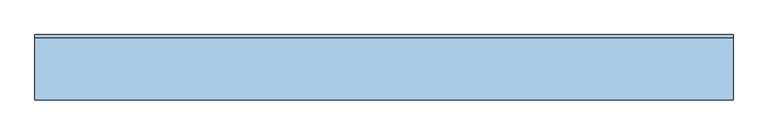
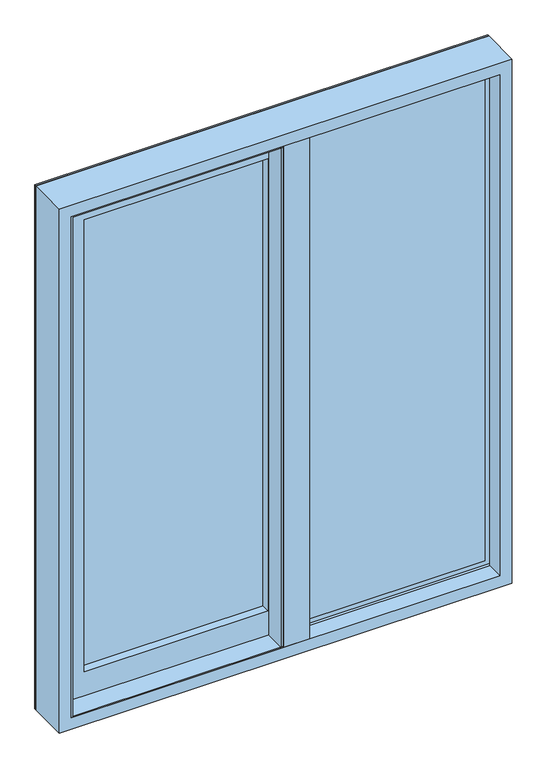
"""IFC4 building model written with IfcOpenShell, lengths in millimetres: window geometry."""

from ifc_helpers import new_model, si_unit, frame, origin, place, context, project, spatial, polyline, outline, extrude, faceted_brep, source, transform, mapped, element, save


def window_2cf56bf1(model_context):
    return source(origin(), model_context, "Body", "SolidModel", [
        faceted_brep([(-9.1, -10.7, 48.0), (-9.1, -10.7, 38.8), (-9.1, 5.3, 38.8), (-9.1, 5.3, 52.1), (-9.1, -80.7, 52.1), (-9.1, -80.7, 48.0), (-852.0, -10.7, 48.0), (-852.0, -10.7, 2152.0), (-9.1, -10.7, 2152.0), (-9.1, -10.7, 2161.2), (-861.2, -10.7, 2161.2), (-861.2, -10.7, 38.8), (-861.2, 5.3, 38.8), (-861.2, 5.3, 2161.2), (-9.1, 5.3, 2161.2), (-9.1, 5.3, 2147.9), (-847.9, 5.3, 2147.9), (-847.9, 5.3, 52.1), (-847.9, -80.7, 52.1), (-847.9, -80.7, 2147.9), (-9.1, -80.7, 2147.9), (-9.1, -80.7, 2152.0), (-852.0, -80.7, 2152.0), (-852.0, -80.7, 48.0)], [[[0, 1, 2, 3, 4, 5]], [[1, 0, 6, 7, 8, 9, 10, 11]], [[2, 1, 11, 12]], [[3, 2, 12, 13, 14, 15, 16, 17]], [[4, 3, 17, 18]], [[5, 4, 18, 19, 20, 21, 22, 23]], [[0, 5, 23, 6]], [[6, 23, 22, 7]], [[12, 11, 10, 13]], [[18, 17, 16, 19]], [[8, 21, 20, 15, 14, 9]], [[13, 10, 9, 14]], [[19, 16, 15, 20]], [[7, 22, 21, 8]]]),
        extrude(outline(polyline([(0.0, -900.0), (0.0, -852.0), (2152.0, -852.0), (2152.0, 852.0), (0.0, 852.0), (0.0, 900.0), (2200.0, 900.0), (2200.0, -900.0), (0.0, -900.0)])), frame((0.0, 80.7, 0.0), z_axis=(0.0, 1.0, 0.0), x_axis=(0.0, 0.0, 1.0)), (0.0, 0.0, 1.0), 7.1),
        extrude(outline(polyline([(93.9, -10.7), (93.9, -80.7), (-9.1, -80.7), (-9.1, -10.7), (93.9, -10.7)])), frame((0.0, 0.0, 48.0), z_axis=(0.0, 0.0, 1.0), x_axis=(1.0, 0.0, 0.0)), (0.0, 0.0, 1.0), 2104.0),
        extrude(outline(polyline([(93.9, 50.0), (852.0, 50.0), (852.0, 22.0), (93.9, 22.0), (93.9, 50.0)])), frame((0.0, 0.0, 48.0), z_axis=(0.0, 0.0, 1.0), x_axis=(1.0, 0.0, 0.0)), (0.0, 0.0, 1.0), 2104.0),
        extrude(outline(polyline([(-19.0, 43.3), (-749.0, 43.3), (-749.0, 71.3), (-19.0, 71.3), (-19.0, 43.3)])), frame((0.0, 0.0, 151.0), z_axis=(0.0, 0.0, 1.0), x_axis=(1.0, 0.0, 0.0)), (0.0, 0.0, 1.0), 1898.0),
        extrude(outline(polyline([(-19.0, 1.1), (-9.1, 1.1), (-9.1, -80.7), (-19.0, -80.7), (-19.0, 1.1)])), frame((0.0, 0.0, 48.0), z_axis=(0.0, 0.0, 1.0), x_axis=(1.0, 0.0, 0.0)), (0.0, 0.0, 1.0), 2104.0),
        extrude(outline(polyline([(93.9, 79.3), (93.9, -2.5), (84.0, -2.5), (84.0, 79.3), (93.9, 79.3)])), frame((0.0, 0.0, 48.0), z_axis=(0.0, 0.0, 1.0), x_axis=(1.0, 0.0, 0.0)), (0.0, 0.0, 1.0), 2104.0),
        faceted_brep([(84.0, 21.7, 2152.0), (84.0, 9.3, 2152.0), (84.0, 9.3, 48.0), (84.0, 21.7, 48.0), (-852.0, 9.3, 2152.0), (-852.0, 9.3, 48.0), (-19.0, 9.3, 151.0), (-749.0, 9.3, 151.0), (-749.0, 9.3, 2049.0), (-19.0, 9.3, 2049.0), (-852.0, 21.7, 48.0), (-852.0, 21.7, 2152.0), (52.9, 21.7, 2120.9), (-820.9, 21.7, 2120.9), (-820.9, 21.7, 79.1), (52.9, 21.7, 79.1), (52.9, 66.9, 2120.9), (52.9, 66.9, 79.1), (-820.9, 66.9, 79.1), (84.0, 66.9, 2152.0), (-852.0, 66.9, 2152.0), (-852.0, 66.9, 48.0), (84.0, 66.9, 48.0), (-820.9, 66.9, 2120.9), (84.0, 79.3, 2152.0), (84.0, 79.3, 48.0), (-852.0, 79.3, 48.0), (-852.0, 79.3, 2152.0), (-19.0, 79.3, 2049.0), (-749.0, 79.3, 2049.0), (-749.0, 79.3, 151.0), (-19.0, 79.3, 151.0)], [[[0, 1, 2, 3]], [[1, 4, 5, 2], [6, 7, 8, 9]], [[3, 2, 5, 10]], [[3, 10, 11, 0], [12, 13, 14, 15]], [[16, 12, 15, 17]], [[17, 15, 14, 18]], [[19, 20, 21, 22], [17, 18, 23, 16]], [[24, 19, 22, 25]], [[25, 22, 21, 26]], [[25, 26, 27, 24], [28, 29, 30, 31]], [[9, 28, 31, 6]], [[6, 31, 30, 7]], [[10, 5, 4, 11]], [[18, 14, 13, 23]], [[26, 21, 20, 27]], [[7, 30, 29, 8]], [[11, 4, 1, 0]], [[23, 13, 12, 16]], [[27, 20, 19, 24]], [[8, 29, 28, 9]]]),
        faceted_brep([(900.0, -80.7, 2200.0), (900.0, -80.7, 0.0), (900.0, 80.7, 0.0), (900.0, 80.7, 2200.0), (-900.0, -80.7, 2200.0), (-900.0, -80.7, 0.0), (852.0, -80.7, 48.0), (-852.0, -80.7, 48.0), (-852.0, -80.7, 2152.0), (852.0, -80.7, 2152.0), (-900.0, 80.7, 0.0), (-900.0, 80.7, 2200.0), (883.7, 80.7, 2183.7), (-883.7, 80.7, 2183.7), (-883.7, 80.7, 16.3), (883.7, 80.7, 16.3), (883.7, 48.8, 2183.7), (883.7, 48.8, 16.3), (-883.7, 48.8, 16.3), (-883.7, 48.8, 2183.7), (860.0, 48.8, 2160.0), (-860.0, 48.8, 2160.0), (-860.0, 48.8, 40.0), (860.0, 48.8, 40.0), (860.0, 62.8, 2160.0), (860.0, 62.8, 40.0), (-860.0, 62.8, 40.0), (-860.0, 62.8, 2160.0), (852.0, 62.8, 2152.0), (-852.0, 62.8, 2152.0), (-852.0, 62.8, 48.0), (852.0, 62.8, 48.0), (852.0, 39.8, 2152.0), (852.0, 39.8, 48.0), (-852.0, 39.8, 48.0), (883.7, 39.8, 2183.7), (-883.7, 39.8, 2183.7), (-883.7, 39.8, 16.3), (883.7, 39.8, 16.3), (-852.0, 39.8, 2152.0), (883.7, -10.7, 2183.7), (883.7, -10.7, 16.3), (-883.7, -10.7, 16.3), (-883.7, -10.7, 2183.7), (852.0, -10.7, 2152.0), (-852.0, -10.7, 2152.0), (-852.0, -10.7, 48.0), (852.0, -10.7, 48.0)], [[[0, 1, 2, 3]], [[0, 4, 5, 1], [6, 7, 8, 9]], [[2, 1, 5, 10]], [[2, 10, 11, 3], [12, 13, 14, 15]], [[16, 12, 15, 17]], [[17, 15, 14, 18]], [[17, 18, 19, 16], [20, 21, 22, 23]], [[24, 20, 23, 25]], [[25, 23, 22, 26]], [[25, 26, 27, 24], [28, 29, 30, 31]], [[32, 28, 31, 33]], [[33, 31, 30, 34]], [[35, 36, 37, 38], [33, 34, 39, 32]], [[40, 35, 38, 41]], [[41, 38, 37, 42]], [[41, 42, 43, 40], [44, 45, 46, 47]], [[9, 44, 47, 6]], [[6, 47, 46, 7]], [[10, 5, 4, 11]], [[18, 14, 13, 19]], [[26, 22, 21, 27]], [[34, 30, 29, 39]], [[42, 37, 36, 43]], [[7, 46, 45, 8]], [[11, 4, 0, 3]], [[19, 13, 12, 16]], [[27, 21, 20, 24]], [[39, 29, 28, 32]], [[43, 36, 35, 40]], [[8, 45, 44, 9]]]),
    ])


if __name__ == "__main__":
    model = new_model("IFC4")
    model_context = context("Model", 3, world=origin())
    ifc_project = project(units=[si_unit("LENGTHUNIT", "METRE", prefix="MILLI")], contexts=[model_context])
    site = spatial("IfcSite", under=ifc_project)
    building = spatial("IfcBuilding", under=site)
    placement = place(None, origin())
    window_shape = window_2cf56bf1(model_context)
    element("IfcWindow", 1, at=placement, inside=building, context=model_context, shape_type="MappedRepresentation", body=[
        mapped(window_shape, transform((0.0, 0.0, 0.0), x_axis=(1.0, 0.0, 0.0), y_axis=(0.0, 1.0, 0.0), z_axis=(0.0, 0.0, 1.0))),
    ])
    save(model, "model.ifc")
